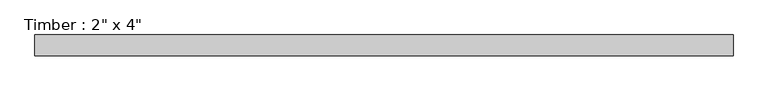
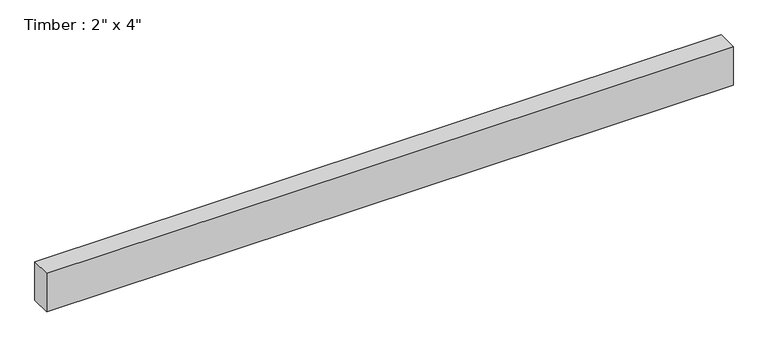
"""IFC4 building model written with IfcOpenShell, lengths in millimetres: beam geometry."""

from ifc_helpers import new_model, si_unit, frame, origin, place, context, project, spatial, polyline, outline, extrude, source, transform, mapped, element, save


def beam_30d37e72(model_context):
    return source(origin(), model_context, "Body", "SweptSolid", [
        extrude(outline(polyline([(895.5283219, 25.4), (895.5283219, -25.4), (-818.2777545, -25.4), (-818.2777545, 25.4), (895.5283219, 25.4)])), frame((0.0, 0.0, -50.8), z_axis=(0.0, 0.0, 1.0), x_axis=(1.0, 0.0, 0.0)), (0.0, 0.0, 1.0), 101.6),
    ])


if __name__ == "__main__":
    model = new_model("IFC4")
    model_context = context("Model", 3, world=origin())
    ifc_project = project(units=[si_unit("LENGTHUNIT", "METRE", prefix="MILLI")], contexts=[model_context])
    site = spatial("IfcSite", under=ifc_project)
    building = spatial("IfcBuilding", under=site)
    placement = place(None, origin())
    beam_shape = beam_30d37e72(model_context)
    element("IfcBeam", 1, ObjectType="Timber : 2\" x 4\"", at=placement, inside=building, context=model_context, shape_type="MappedRepresentation", body=[
        mapped(beam_shape, transform((0.0, 0.0, 0.0), x_axis=(1.0, 0.0, 0.0), y_axis=(0.0, 1.0, 0.0), z_axis=(0.0, 0.0, 1.0))),
    ])
    save(model, "model.ifc")
